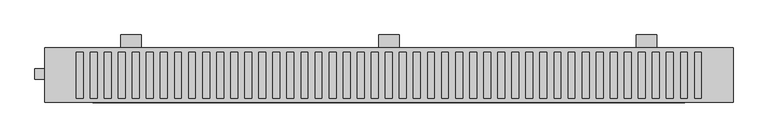
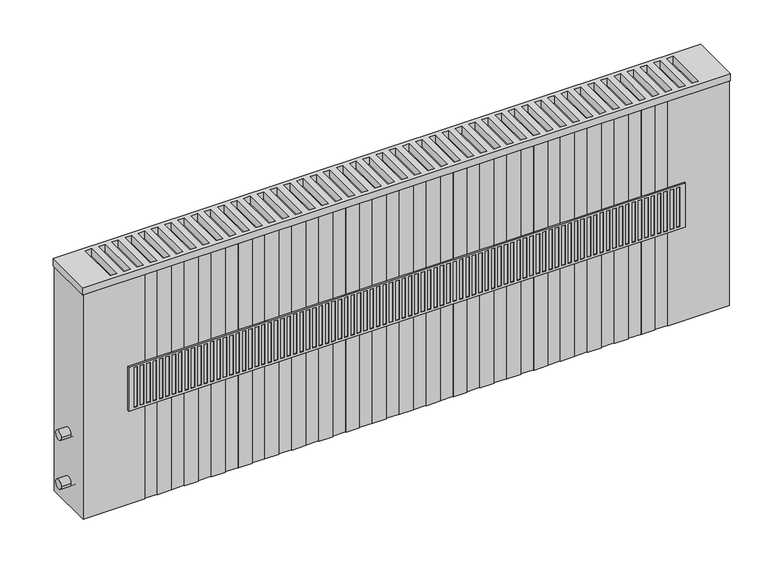
"""IFC4 building model written with IfcOpenShell, lengths in millimetres: proxy geometry."""

from ifc_helpers import new_model, si_unit, point, frame, frame_2d, origin, place, context, project, spatial, polyline, circle_curve, trimmed, segment, composite_curve, outline, extrude, faceted_brep, source, transform, mapped, element, save


def mechanical_equipment_e5fbaa37(model_context):
    return source(origin(), model_context, "Body", "SolidModel", [
        extrude(outline(polyline([(0.0, 380.0), (0.0, 100.0), (0.0, 80.0), (-35.0, 80.0), (-50.0, 100.0), (-20.0, 100.0), (-20.0, 380.0), (0.0, 380.0)])), frame((485.0, 0.0, 0.0), z_axis=(1.0, 0.0, 0.0), x_axis=(0.0, 1.0, 0.0)), (0.0, 0.0, 1.0), 30.0),
        extrude(outline(polyline([(0.0, 380.0), (0.0, 100.0), (0.0, 80.0), (-35.0, 80.0), (-50.0, 100.0), (-20.0, 100.0), (-20.0, 380.0), (0.0, 380.0)])), frame((860.0, 0.0, 0.0), z_axis=(1.0, 0.0, 0.0), x_axis=(0.0, 1.0, 0.0)), (0.0, 0.0, 1.0), 30.0),
        extrude(outline(polyline([(0.0, 380.0), (0.0, 100.0), (0.0, 80.0), (-35.0, 80.0), (-50.0, 100.0), (-20.0, 100.0), (-20.0, 380.0), (0.0, 380.0)])), frame((110.0, 0.0, 0.0), z_axis=(1.0, 0.0, 0.0), x_axis=(0.0, 1.0, 0.0)), (0.0, 0.0, 1.0), 30.0),
        faceted_brep([(931.0, -99.0, 326.0), (931.0, -99.0, 254.0), (931.0, -97.0, 254.0), (931.0, -97.0, 326.0), (69.0, -99.0, 254.0), (69.0, -99.0, 326.0), (69.0, -97.0, 326.0), (69.0, -97.0, 254.0), (922.5, -99.0, 257.5), (917.5, -99.0, 257.5), (917.5, -99.0, 322.5), (922.5, -99.0, 322.5), (92.3823529, -99.0, 257.5), (87.3823529, -99.0, 257.5), (87.3823529, -99.0, 322.5), (92.3823529, -99.0, 322.5), (102.2647059, -99.0, 257.5), (97.2647059, -99.0, 257.5), (97.2647059, -99.0, 322.5), (102.2647059, -99.0, 322.5), (112.1470588, -99.0, 257.5), (107.1470588, -99.0, 257.5), (107.1470588, -99.0, 322.5), (112.1470588, -99.0, 322.5), (122.0294118, -99.0, 257.5), (117.0294118, -99.0, 257.5), (117.0294118, -99.0, 322.5), (122.0294118, -99.0, 322.5), (131.9117647, -99.0, 257.5), (126.9117647, -99.0, 257.5), (126.9117647, -99.0, 322.5), (131.9117647, -99.0, 322.5), (141.7941176, -99.0, 257.5), (136.7941176, -99.0, 257.5), (136.7941176, -99.0, 322.5), (141.7941176, -99.0, 322.5), (151.6764706, -99.0, 257.5), (146.6764706, -99.0, 257.5), (146.6764706, -99.0, 322.5), (151.6764706, -99.0, 322.5), (161.5588235, -99.0, 257.5), (156.5588235, -99.0, 257.5), (156.5588235, -99.0, 322.5), (161.5588235, -99.0, 322.5), (171.4411765, -99.0, 257.5), (166.4411765, -99.0, 257.5), (166.4411765, -99.0, 322.5), (171.4411765, -99.0, 322.5), (181.3235294, -99.0, 257.5), (176.3235294, -99.0, 257.5), (176.3235294, -99.0, 322.5), (181.3235294, -99.0, 322.5), (191.2058824, -99.0, 257.5), (186.2058824, -99.0, 257.5), (186.2058824, -99.0, 322.5), (191.2058824, -99.0, 322.5), (201.0882353, -99.0, 257.5), (196.0882353, -99.0, 257.5), (196.0882353, -99.0, 322.5), (201.0882353, -99.0, 322.5), (210.9705882, -99.0, 257.5), (205.9705882, -99.0, 257.5), (205.9705882, -99.0, 322.5), (210.9705882, -99.0, 322.5), (220.8529412, -99.0, 257.5), (215.8529412, -99.0, 257.5), (215.8529412, -99.0, 322.5), (220.8529412, -99.0, 322.5), (230.7352941, -99.0, 257.5), (225.7352941, -99.0, 257.5), (225.7352941, -99.0, 322.5), (230.7352941, -99.0, 322.5), (240.6176471, -99.0, 257.5), (235.6176471, -99.0, 257.5), (235.6176471, -99.0, 322.5), (240.6176471, -99.0, 322.5), (250.5, -99.0, 257.5), (245.5, -99.0, 257.5), (245.5, -99.0, 322.5), (250.5, -99.0, 322.5), (260.3823529, -99.0, 257.5), (255.3823529, -99.0, 257.5), (255.3823529, -99.0, 322.5), (260.3823529, -99.0, 322.5), (270.2647059, -99.0, 257.5), (265.2647059, -99.0, 257.5), (265.2647059, -99.0, 322.5), (270.2647059, -99.0, 322.5), (280.1470588, -99.0, 257.5), (275.1470588, -99.0, 257.5), (275.1470588, -99.0, 322.5), (280.1470588, -99.0, 322.5), (290.0294118, -99.0, 257.5), (285.0294118, -99.0, 257.5), (285.0294118, -99.0, 322.5), (290.0294118, -99.0, 322.5), (299.9117647, -99.0, 257.5), (294.9117647, -99.0, 257.5), (294.9117647, -99.0, 322.5), (299.9117647, -99.0, 322.5), (309.7941176, -99.0, 257.5), (304.7941176, -99.0, 257.5), (304.7941176, -99.0, 322.5), (309.7941176, -99.0, 322.5), (319.6764706, -99.0, 257.5), (314.6764706, -99.0, 257.5), (314.6764706, -99.0, 322.5), (319.6764706, -99.0, 322.5), (329.5588235, -99.0, 257.5), (324.5588235, -99.0, 257.5), (324.5588235, -99.0, 322.5), (329.5588235, -99.0, 322.5), (339.4411765, -99.0, 257.5), (334.4411765, -99.0, 257.5), (334.4411765, -99.0, 322.5), (339.4411765, -99.0, 322.5), (349.3235294, -99.0, 257.5), (344.3235294, -99.0, 257.5), (344.3235294, -99.0, 322.5), (349.3235294, -99.0, 322.5), (359.2058824, -99.0, 257.5), (354.2058824, -99.0, 257.5), (354.2058824, -99.0, 322.5), (359.2058824, -99.0, 322.5), (369.0882353, -99.0, 257.5), (364.0882353, -99.0, 257.5), (364.0882353, -99.0, 322.5), (369.0882353, -99.0, 322.5), (378.9705882, -99.0, 257.5), (373.9705882, -99.0, 257.5), (373.9705882, -99.0, 322.5), (378.9705882, -99.0, 322.5), (388.8529412, -99.0, 257.5), (383.8529412, -99.0, 257.5), (383.8529412, -99.0, 322.5), (388.8529412, -99.0, 322.5), (398.7352941, -99.0, 257.5), (393.7352941, -99.0, 257.5), (393.7352941, -99.0, 322.5), (398.7352941, -99.0, 322.5), (408.6176471, -99.0, 257.5), (403.6176471, -99.0, 257.5), (403.6176471, -99.0, 322.5), (408.6176471, -99.0, 322.5), (418.5, -99.0, 257.5), (413.5, -99.0, 257.5), (413.5, -99.0, 322.5), (418.5, -99.0, 322.5), (428.3823529, -99.0, 257.5), (423.3823529, -99.0, 257.5), (423.3823529, -99.0, 322.5), (428.3823529, -99.0, 322.5), (438.2647059, -99.0, 257.5), (433.2647059, -99.0, 257.5), (433.2647059, -99.0, 322.5), (438.2647059, -99.0, 322.5), (448.1470588, -99.0, 257.5), (443.1470588, -99.0, 257.5), (443.1470588, -99.0, 322.5), (448.1470588, -99.0, 322.5), (458.0294118, -99.0, 257.5), (453.0294118, -99.0, 257.5), (453.0294118, -99.0, 322.5), (458.0294118, -99.0, 322.5), (467.9117647, -99.0, 257.5), (462.9117647, -99.0, 257.5), (462.9117647, -99.0, 322.5), (467.9117647, -99.0, 322.5), (477.7941176, -99.0, 257.5), (472.7941176, -99.0, 257.5), (472.7941176, -99.0, 322.5), (477.7941176, -99.0, 322.5), (487.6764706, -99.0, 257.5), (482.6764706, -99.0, 257.5), (482.6764706, -99.0, 322.5), (487.6764706, -99.0, 322.5), (497.5588235, -99.0, 257.5), (492.5588235, -99.0, 257.5), (492.5588235, -99.0, 322.5), (497.5588235, -99.0, 322.5), (507.4411765, -99.0, 257.5), (502.4411765, -99.0, 257.5), (502.4411765, -99.0, 322.5), (507.4411765, -99.0, 322.5), (517.3235294, -99.0, 257.5), (512.3235294, -99.0, 257.5), (512.3235294, -99.0, 322.5), (517.3235294, -99.0, 322.5), (527.2058824, -99.0, 257.5), (522.2058824, -99.0, 257.5), (522.2058824, -99.0, 322.5), (527.2058824, -99.0, 322.5), (537.0882353, -99.0, 257.5), (532.0882353, -99.0, 257.5), (532.0882353, -99.0, 322.5), (537.0882353, -99.0, 322.5), (546.9705882, -99.0, 257.5), (541.9705882, -99.0, 257.5), (541.9705882, -99.0, 322.5), (546.9705882, -99.0, 322.5), (556.8529412, -99.0, 257.5), (551.8529412, -99.0, 257.5), (551.8529412, -99.0, 322.5), (556.8529412, -99.0, 322.5), (566.7352941, -99.0, 257.5), (561.7352941, -99.0, 257.5), (561.7352941, -99.0, 322.5), (566.7352941, -99.0, 322.5), (576.6176471, -99.0, 257.5), (571.6176471, -99.0, 257.5), (571.6176471, -99.0, 322.5), (576.6176471, -99.0, 322.5), (586.5, -99.0, 257.5), (581.5, -99.0, 257.5), (581.5, -99.0, 322.5), (586.5, -99.0, 322.5), (596.3823529, -99.0, 257.5), (591.3823529, -99.0, 257.5), (591.3823529, -99.0, 322.5), (596.3823529, -99.0, 322.5), (606.2647059, -99.0, 257.5), (601.2647059, -99.0, 257.5), (601.2647059, -99.0, 322.5), (606.2647059, -99.0, 322.5), (616.1470588, -99.0, 257.5), (611.1470588, -99.0, 257.5), (611.1470588, -99.0, 322.5), (616.1470588, -99.0, 322.5), (626.0294118, -99.0, 257.5), (621.0294118, -99.0, 257.5), (621.0294118, -99.0, 322.5), (626.0294118, -99.0, 322.5), (635.9117647, -99.0, 257.5), (630.9117647, -99.0, 257.5), (630.9117647, -99.0, 322.5), (635.9117647, -99.0, 322.5), (645.7941176, -99.0, 257.5), (640.7941176, -99.0, 257.5), (640.7941176, -99.0, 322.5), (645.7941176, -99.0, 322.5), (655.6764706, -99.0, 257.5), (650.6764706, -99.0, 257.5), (650.6764706, -99.0, 322.5), (655.6764706, -99.0, 322.5), (665.5588235, -99.0, 257.5), (660.5588235, -99.0, 257.5), (660.5588235, -99.0, 322.5), (665.5588235, -99.0, 322.5), (675.4411765, -99.0, 257.5), (670.4411765, -99.0, 257.5), (670.4411765, -99.0, 322.5), (675.4411765, -99.0, 322.5), (685.3235294, -99.0, 257.5), (680.3235294, -99.0, 257.5), (680.3235294, -99.0, 322.5), (685.3235294, -99.0, 322.5), (695.2058824, -99.0, 257.5), (690.2058824, -99.0, 257.5), (690.2058824, -99.0, 322.5), (695.2058824, -99.0, 322.5), (705.0882353, -99.0, 257.5), (700.0882353, -99.0, 257.5), (700.0882353, -99.0, 322.5), (705.0882353, -99.0, 322.5), (714.9705882, -99.0, 257.5), (709.9705882, -99.0, 257.5), (709.9705882, -99.0, 322.5), (714.9705882, -99.0, 322.5), (724.8529412, -99.0, 257.5), (719.8529412, -99.0, 257.5), (719.8529412, -99.0, 322.5), (724.8529412, -99.0, 322.5), (734.7352941, -99.0, 257.5), (729.7352941, -99.0, 257.5), (729.7352941, -99.0, 322.5), (734.7352941, -99.0, 322.5), (744.6176471, -99.0, 257.5), (739.6176471, -99.0, 257.5), (739.6176471, -99.0, 322.5), (744.6176471, -99.0, 322.5), (754.5, -99.0, 257.5), (749.5, -99.0, 257.5), (749.5, -99.0, 322.5), (754.5, -99.0, 322.5), (764.3823529, -99.0, 257.5), (759.3823529, -99.0, 257.5), (759.3823529, -99.0, 322.5), (764.3823529, -99.0, 322.5), (774.2647059, -99.0, 257.5), (769.2647059, -99.0, 257.5), (769.2647059, -99.0, 322.5), (774.2647059, -99.0, 322.5), (784.1470588, -99.0, 257.5), (779.1470588, -99.0, 257.5), (779.1470588, -99.0, 322.5), (784.1470588, -99.0, 322.5), (794.0294118, -99.0, 257.5), (789.0294118, -99.0, 257.5), (789.0294118, -99.0, 322.5), (794.0294118, -99.0, 322.5), (803.9117647, -99.0, 257.5), (798.9117647, -99.0, 257.5), (798.9117647, -99.0, 322.5), (803.9117647, -99.0, 322.5), (813.7941176, -99.0, 257.5), (808.7941176, -99.0, 257.5), (808.7941176, -99.0, 322.5), (813.7941176, -99.0, 322.5), (823.6764706, -99.0, 257.5), (818.6764706, -99.0, 257.5), (818.6764706, -99.0, 322.5), (823.6764706, -99.0, 322.5), (833.5588235, -99.0, 257.5), (828.5588235, -99.0, 257.5), (828.5588235, -99.0, 322.5), (833.5588235, -99.0, 322.5), (843.4411765, -99.0, 257.5), (838.4411765, -99.0, 257.5), (838.4411765, -99.0, 322.5), (843.4411765, -99.0, 322.5), (853.3235294, -99.0, 257.5), (848.3235294, -99.0, 257.5), (848.3235294, -99.0, 322.5), (853.3235294, -99.0, 322.5), (863.2058824, -99.0, 257.5), (858.2058824, -99.0, 257.5), (858.2058824, -99.0, 322.5), (863.2058824, -99.0, 322.5), (873.0882353, -99.0, 257.5), (868.0882353, -99.0, 257.5), (868.0882353, -99.0, 322.5), (873.0882353, -99.0, 322.5), (882.9705882, -99.0, 257.5), (877.9705882, -99.0, 257.5), (877.9705882, -99.0, 322.5), (882.9705882, -99.0, 322.5), (892.8529412, -99.0, 257.5), (887.8529412, -99.0, 257.5), (887.8529412, -99.0, 322.5), (892.8529412, -99.0, 322.5), (902.7352941, -99.0, 257.5), (897.7352941, -99.0, 257.5), (897.7352941, -99.0, 322.5), (902.7352941, -99.0, 322.5), (912.6176471, -99.0, 257.5), (907.6176471, -99.0, 257.5), (907.6176471, -99.0, 322.5), (912.6176471, -99.0, 322.5), (82.5, -99.0, 257.5), (77.5, -99.0, 257.5), (77.5, -99.0, 322.5), (82.5, -99.0, 322.5), (917.5, -98.0, 257.5), (922.5, -98.0, 257.5), (922.5, -98.0, 322.5), (917.5, -98.0, 322.5), (87.3823529, -98.0, 257.5), (92.3823529, -98.0, 257.5), (92.3823529, -98.0, 322.5), (87.3823529, -98.0, 322.5), (97.2647059, -98.0, 257.5), (102.2647059, -98.0, 257.5), (102.2647059, -98.0, 322.5), (97.2647059, -98.0, 322.5), (107.1470588, -98.0, 257.5), (112.1470588, -98.0, 257.5), (112.1470588, -98.0, 322.5), (107.1470588, -98.0, 322.5), (117.0294118, -98.0, 257.5), (122.0294118, -98.0, 257.5), (122.0294118, -98.0, 322.5), (117.0294118, -98.0, 322.5), (126.9117647, -98.0, 257.5), (131.9117647, -98.0, 257.5), (131.9117647, -98.0, 322.5), (126.9117647, -98.0, 322.5), (136.7941176, -98.0, 257.5), (141.7941176, -98.0, 257.5), (141.7941176, -98.0, 322.5), (136.7941176, -98.0, 322.5), (146.6764706, -98.0, 257.5), (151.6764706, -98.0, 257.5), (151.6764706, -98.0, 322.5), (146.6764706, -98.0, 322.5), (156.5588235, -98.0, 257.5), (161.5588235, -98.0, 257.5), (161.5588235, -98.0, 322.5), (156.5588235, -98.0, 322.5), (166.4411765, -98.0, 257.5), (171.4411765, -98.0, 257.5), (171.4411765, -98.0, 322.5), (166.4411765, -98.0, 322.5), (176.3235294, -98.0, 257.5), (181.3235294, -98.0, 257.5), (181.3235294, -98.0, 322.5), (176.3235294, -98.0, 322.5), (186.2058824, -98.0, 257.5), (191.2058824, -98.0, 257.5), (191.2058824, -98.0, 322.5), (186.2058824, -98.0, 322.5), (196.0882353, -98.0, 257.5), (201.0882353, -98.0, 257.5), (201.0882353, -98.0, 322.5), (196.0882353, -98.0, 322.5), (205.9705882, -98.0, 257.5), (210.9705882, -98.0, 257.5), (210.9705882, -98.0, 322.5), (205.9705882, -98.0, 322.5), (215.8529412, -98.0, 257.5), (220.8529412, -98.0, 257.5), (220.8529412, -98.0, 322.5), (215.8529412, -98.0, 322.5), (225.7352941, -98.0, 257.5), (230.7352941, -98.0, 257.5), (230.7352941, -98.0, 322.5), (225.7352941, -98.0, 322.5), (235.6176471, -98.0, 257.5), (240.6176471, -98.0, 257.5), (240.6176471, -98.0, 322.5), (235.6176471, -98.0, 322.5), (245.5, -98.0, 257.5), (250.5, -98.0, 257.5), (250.5, -98.0, 322.5), (245.5, -98.0, 322.5), (255.3823529, -98.0, 257.5), (260.3823529, -98.0, 257.5), (260.3823529, -98.0, 322.5), (255.3823529, -98.0, 322.5), (265.2647059, -98.0, 257.5), (270.2647059, -98.0, 257.5), (270.2647059, -98.0, 322.5), (265.2647059, -98.0, 322.5), (275.1470588, -98.0, 257.5), (280.1470588, -98.0, 257.5), (280.1470588, -98.0, 322.5), (275.1470588, -98.0, 322.5), (285.0294118, -98.0, 257.5), (290.0294118, -98.0, 257.5), (290.0294118, -98.0, 322.5), (285.0294118, -98.0, 322.5), (294.9117647, -98.0, 257.5), (299.9117647, -98.0, 257.5), (299.9117647, -98.0, 322.5), (294.9117647, -98.0, 322.5), (304.7941176, -98.0, 257.5), (309.7941176, -98.0, 257.5), (309.7941176, -98.0, 322.5), (304.7941176, -98.0, 322.5), (314.6764706, -98.0, 257.5), (319.6764706, -98.0, 257.5), (319.6764706, -98.0, 322.5), (314.6764706, -98.0, 322.5), (324.5588235, -98.0, 257.5), (329.5588235, -98.0, 257.5), (329.5588235, -98.0, 322.5), (324.5588235, -98.0, 322.5), (334.4411765, -98.0, 257.5), (339.4411765, -98.0, 257.5), (339.4411765, -98.0, 322.5), (334.4411765, -98.0, 322.5), (344.3235294, -98.0, 257.5), (349.3235294, -98.0, 257.5), (349.3235294, -98.0, 322.5), (344.3235294, -98.0, 322.5), (354.2058824, -98.0, 257.5), (359.2058824, -98.0, 257.5), (359.2058824, -98.0, 322.5), (354.2058824, -98.0, 322.5), (364.0882353, -98.0, 257.5), (369.0882353, -98.0, 257.5), (369.0882353, -98.0, 322.5), (364.0882353, -98.0, 322.5), (373.9705882, -98.0, 257.5), (378.9705882, -98.0, 257.5), (378.9705882, -98.0, 322.5), (373.9705882, -98.0, 322.5), (383.8529412, -98.0, 257.5), (388.8529412, -98.0, 257.5), (388.8529412, -98.0, 322.5), (383.8529412, -98.0, 322.5), (393.7352941, -98.0, 257.5), (398.7352941, -98.0, 257.5), (398.7352941, -98.0, 322.5), (393.7352941, -98.0, 322.5), (403.6176471, -98.0, 257.5), (408.6176471, -98.0, 257.5), (408.6176471, -98.0, 322.5), (403.6176471, -98.0, 322.5), (413.5, -98.0, 257.5), (418.5, -98.0, 257.5), (418.5, -98.0, 322.5), (413.5, -98.0, 322.5), (423.3823529, -98.0, 257.5), (428.3823529, -98.0, 257.5), (428.3823529, -98.0, 322.5), (423.3823529, -98.0, 322.5), (433.2647059, -98.0, 257.5), (438.2647059, -98.0, 257.5), (438.2647059, -98.0, 322.5), (433.2647059, -98.0, 322.5), (443.1470588, -98.0, 257.5), (448.1470588, -98.0, 257.5), (448.1470588, -98.0, 322.5), (443.1470588, -98.0, 322.5), (453.0294118, -98.0, 257.5), (458.0294118, -98.0, 257.5), (458.0294118, -98.0, 322.5), (453.0294118, -98.0, 322.5), (462.9117647, -98.0, 257.5), (467.9117647, -98.0, 257.5), (467.9117647, -98.0, 322.5), (462.9117647, -98.0, 322.5), (472.7941176, -98.0, 257.5), (477.7941176, -98.0, 257.5), (477.7941176, -98.0, 322.5), (472.7941176, -98.0, 322.5), (482.6764706, -98.0, 257.5), (487.6764706, -98.0, 257.5), (487.6764706, -98.0, 322.5), (482.6764706, -98.0, 322.5), (492.5588235, -98.0, 257.5), (497.5588235, -98.0, 257.5), (497.5588235, -98.0, 322.5), (492.5588235, -98.0, 322.5), (502.4411765, -98.0, 257.5), (507.4411765, -98.0, 257.5), (507.4411765, -98.0, 322.5), (502.4411765, -98.0, 322.5), (512.3235294, -98.0, 257.5), (517.3235294, -98.0, 257.5), (517.3235294, -98.0, 322.5), (512.3235294, -98.0, 322.5), (522.2058824, -98.0, 257.5), (527.2058824, -98.0, 257.5), (527.2058824, -98.0, 322.5), (522.2058824, -98.0, 322.5), (532.0882353, -98.0, 257.5), (537.0882353, -98.0, 257.5), (537.0882353, -98.0, 322.5), (532.0882353, -98.0, 322.5), (541.9705882, -98.0, 257.5), (546.9705882, -98.0, 257.5), (546.9705882, -98.0, 322.5), (541.9705882, -98.0, 322.5), (551.8529412, -98.0, 257.5), (556.8529412, -98.0, 257.5), (556.8529412, -98.0, 322.5), (551.8529412, -98.0, 322.5), (561.7352941, -98.0, 257.5), (566.7352941, -98.0, 257.5), (566.7352941, -98.0, 322.5), (561.7352941, -98.0, 322.5), (571.6176471, -98.0, 257.5), (576.6176471, -98.0, 257.5), (576.6176471, -98.0, 322.5), (571.6176471, -98.0, 322.5), (581.5, -98.0, 257.5), (586.5, -98.0, 257.5), (586.5, -98.0, 322.5), (581.5, -98.0, 322.5), (591.3823529, -98.0, 257.5), (596.3823529, -98.0, 257.5), (596.3823529, -98.0, 322.5), (591.3823529, -98.0, 322.5), (601.2647059, -98.0, 257.5), (606.2647059, -98.0, 257.5), (606.2647059, -98.0, 322.5), (601.2647059, -98.0, 322.5), (611.1470588, -98.0, 257.5), (616.1470588, -98.0, 257.5), (616.1470588, -98.0, 322.5), (611.1470588, -98.0, 322.5), (621.0294118, -98.0, 257.5), (626.0294118, -98.0, 257.5), (626.0294118, -98.0, 322.5), (621.0294118, -98.0, 322.5), (630.9117647, -98.0, 257.5), (635.9117647, -98.0, 257.5), (635.9117647, -98.0, 322.5), (630.9117647, -98.0, 322.5), (640.7941176, -98.0, 257.5), (645.7941176, -98.0, 257.5), (645.7941176, -98.0, 322.5), (640.7941176, -98.0, 322.5), (650.6764706, -98.0, 257.5), (655.6764706, -98.0, 257.5), (655.6764706, -98.0, 322.5), (650.6764706, -98.0, 322.5), (660.5588235, -98.0, 257.5), (665.5588235, -98.0, 257.5), (665.5588235, -98.0, 322.5), (660.5588235, -98.0, 322.5), (670.4411765, -98.0, 257.5), (675.4411765, -98.0, 257.5), (675.4411765, -98.0, 322.5), (670.4411765, -98.0, 322.5), (680.3235294, -98.0, 257.5), (685.3235294, -98.0, 257.5), (685.3235294, -98.0, 322.5), (680.3235294, -98.0, 322.5), (690.2058824, -98.0, 257.5), (695.2058824, -98.0, 257.5), (695.2058824, -98.0, 322.5), (690.2058824, -98.0, 322.5), (700.0882353, -98.0, 257.5), (705.0882353, -98.0, 257.5), (705.0882353, -98.0, 322.5), (700.0882353, -98.0, 322.5), (709.9705882, -98.0, 257.5), (714.9705882, -98.0, 257.5), (714.9705882, -98.0, 322.5), (709.9705882, -98.0, 322.5), (719.8529412, -98.0, 257.5), (724.8529412, -98.0, 257.5), (724.8529412, -98.0, 322.5), (719.8529412, -98.0, 322.5), (729.7352941, -98.0, 257.5), (734.7352941, -98.0, 257.5), (734.7352941, -98.0, 322.5), (729.7352941, -98.0, 322.5), (739.6176471, -98.0, 257.5), (744.6176471, -98.0, 257.5), (744.6176471, -98.0, 322.5), (739.6176471, -98.0, 322.5), (749.5, -98.0, 257.5), (754.5, -98.0, 257.5), (754.5, -98.0, 322.5), (749.5, -98.0, 322.5), (759.3823529, -98.0, 257.5), (764.3823529, -98.0, 257.5), (764.3823529, -98.0, 322.5), (759.3823529, -98.0, 322.5), (769.2647059, -98.0, 257.5), (774.2647059, -98.0, 257.5), (774.2647059, -98.0, 322.5), (769.2647059, -98.0, 322.5), (779.1470588, -98.0, 257.5), (784.1470588, -98.0, 257.5), (784.1470588, -98.0, 322.5), (779.1470588, -98.0, 322.5), (789.0294118, -98.0, 257.5), (794.0294118, -98.0, 257.5), (794.0294118, -98.0, 322.5), (789.0294118, -98.0, 322.5), (798.9117647, -98.0, 257.5), (803.9117647, -98.0, 257.5), (803.9117647, -98.0, 322.5), (798.9117647, -98.0, 322.5), (808.7941176, -98.0, 257.5), (813.7941176, -98.0, 257.5), (813.7941176, -98.0, 322.5), (808.7941176, -98.0, 322.5), (818.6764706, -98.0, 257.5), (823.6764706, -98.0, 257.5), (823.6764706, -98.0, 322.5), (818.6764706, -98.0, 322.5), (828.5588235, -98.0, 257.5), (833.5588235, -98.0, 257.5), (833.5588235, -98.0, 322.5), (828.5588235, -98.0, 322.5), (838.4411765, -98.0, 257.5), (843.4411765, -98.0, 257.5), (843.4411765, -98.0, 322.5), (838.4411765, -98.0, 322.5), (848.3235294, -98.0, 257.5), (853.3235294, -98.0, 257.5), (853.3235294, -98.0, 322.5), (848.3235294, -98.0, 322.5), (858.2058824, -98.0, 257.5), (863.2058824, -98.0, 257.5), (863.2058824, -98.0, 322.5), (858.2058824, -98.0, 322.5), (868.0882353, -98.0, 257.5), (873.0882353, -98.0, 257.5), (873.0882353, -98.0, 322.5), (868.0882353, -98.0, 322.5), (877.9705882, -98.0, 257.5), (882.9705882, -98.0, 257.5), (882.9705882, -98.0, 322.5), (877.9705882, -98.0, 322.5), (887.8529412, -98.0, 257.5), (892.8529412, -98.0, 257.5), (892.8529412, -98.0, 322.5), (887.8529412, -98.0, 322.5), (897.7352941, -98.0, 257.5), (902.7352941, -98.0, 257.5), (902.7352941, -98.0, 322.5), (897.7352941, -98.0, 322.5), (907.6176471, -98.0, 257.5), (912.6176471, -98.0, 257.5), (912.6176471, -98.0, 322.5), (907.6176471, -98.0, 322.5), (77.5, -98.0, 257.5), (82.5, -98.0, 257.5), (82.5, -98.0, 322.5), (77.5, -98.0, 322.5)], [[[0, 1, 2, 3]], [[4, 5, 6, 7]], [[1, 0, 5, 4], [8, 9, 10, 11], [12, 13, 14, 15], [16, 17, 18, 19], [20, 21, 22, 23], [24, 25, 26, 27], [28, 29, 30, 31], [32, 33, 34, 35], [36, 37, 38, 39], [40, 41, 42, 43], [44, 45, 46, 47], [48, 49, 50, 51], [52, 53, 54, 55], [56, 57, 58, 59], [60, 61, 62, 63], [64, 65, 66, 67], [68, 69, 70, 71], [72, 73, 74, 75], [76, 77, 78, 79], [80, 81, 82, 83], [84, 85, 86, 87], [88, 89, 90, 91], [92, 93, 94, 95], [96, 97, 98, 99], [100, 101, 102, 103], [104, 105, 106, 107], [108, 109, 110, 111], [112, 113, 114, 115], [116, 117, 118, 119], [120, 121, 122, 123], [124, 125, 126, 127], [128, 129, 130, 131], [132, 133, 134, 135], [136, 137, 138, 139], [140, 141, 142, 143], [144, 145, 146, 147], [148, 149, 150, 151], [152, 153, 154, 155], [156, 157, 158, 159], [160, 161, 162, 163], [164, 165, 166, 167], [168, 169, 170, 171], [172, 173, 174, 175], [176, 177, 178, 179], [180, 181, 182, 183], [184, 185, 186, 187], [188, 189, 190, 191], [192, 193, 194, 195], [196, 197, 198, 199], [200, 201, 202, 203], [204, 205, 206, 207], [208, 209, 210, 211], [212, 213, 214, 215], [216, 217, 218, 219], [220, 221, 222, 223], [224, 225, 226, 227], [228, 229, 230, 231], [232, 233, 234, 235], [236, 237, 238, 239], [240, 241, 242, 243], [244, 245, 246, 247], [248, 249, 250, 251], [252, 253, 254, 255], [256, 257, 258, 259], [260, 261, 262, 263], [264, 265, 266, 267], [268, 269, 270, 271], [272, 273, 274, 275], [276, 277, 278, 279], [280, 281, 282, 283], [284, 285, 286, 287], [288, 289, 290, 291], [292, 293, 294, 295], [296, 297, 298, 299], [300, 301, 302, 303], [304, 305, 306, 307], [308, 309, 310, 311], [312, 313, 314, 315], [316, 317, 318, 319], [320, 321, 322, 323], [324, 325, 326, 327], [328, 329, 330, 331], [332, 333, 334, 335], [336, 337, 338, 339], [340, 341, 342, 343], [344, 345, 346, 347], [348, 349, 350, 351]], [[3, 2, 7, 6]], [[2, 1, 4, 7]], [[0, 3, 6, 5]], [[352, 353, 354, 355]], [[353, 352, 9, 8]], [[354, 353, 8, 11]], [[355, 354, 11, 10]], [[352, 355, 10, 9]], [[356, 357, 358, 359]], [[357, 356, 13, 12]], [[358, 357, 12, 15]], [[359, 358, 15, 14]], [[356, 359, 14, 13]], [[360, 361, 362, 363]], [[361, 360, 17, 16]], [[362, 361, 16, 19]], [[363, 362, 19, 18]], [[360, 363, 18, 17]], [[364, 365, 366, 367]], [[365, 364, 21, 20]], [[366, 365, 20, 23]], [[367, 366, 23, 22]], [[364, 367, 22, 21]], [[368, 369, 370, 371]], [[369, 368, 25, 24]], [[370, 369, 24, 27]], [[371, 370, 27, 26]], [[368, 371, 26, 25]], [[372, 373, 374, 375]], [[373, 372, 29, 28]], [[374, 373, 28, 31]], [[375, 374, 31, 30]], [[372, 375, 30, 29]], [[376, 377, 378, 379]], [[377, 376, 33, 32]], [[378, 377, 32, 35]], [[379, 378, 35, 34]], [[376, 379, 34, 33]], [[380, 381, 382, 383]], [[381, 380, 37, 36]], [[382, 381, 36, 39]], [[383, 382, 39, 38]], [[380, 383, 38, 37]], [[384, 385, 386, 387]], [[385, 384, 41, 40]], [[386, 385, 40, 43]], [[387, 386, 43, 42]], [[384, 387, 42, 41]], [[388, 389, 390, 391]], [[389, 388, 45, 44]], [[390, 389, 44, 47]], [[391, 390, 47, 46]], [[388, 391, 46, 45]], [[392, 393, 394, 395]], [[393, 392, 49, 48]], [[394, 393, 48, 51]], [[395, 394, 51, 50]], [[392, 395, 50, 49]], [[396, 397, 398, 399]], [[397, 396, 53, 52]], [[398, 397, 52, 55]], [[399, 398, 55, 54]], [[396, 399, 54, 53]], [[400, 401, 402, 403]], [[401, 400, 57, 56]], [[402, 401, 56, 59]], [[403, 402, 59, 58]], [[400, 403, 58, 57]], [[404, 405, 406, 407]], [[405, 404, 61, 60]], [[406, 405, 60, 63]], [[407, 406, 63, 62]], [[404, 407, 62, 61]], [[408, 409, 410, 411]], [[409, 408, 65, 64]], [[410, 409, 64, 67]], [[411, 410, 67, 66]], [[408, 411, 66, 65]], [[412, 413, 414, 415]], [[413, 412, 69, 68]], [[414, 413, 68, 71]], [[415, 414, 71, 70]], [[412, 415, 70, 69]], [[416, 417, 418, 419]], [[417, 416, 73, 72]], [[418, 417, 72, 75]], [[419, 418, 75, 74]], [[416, 419, 74, 73]], [[420, 421, 422, 423]], [[421, 420, 77, 76]], [[422, 421, 76, 79]], [[423, 422, 79, 78]], [[420, 423, 78, 77]], [[424, 425, 426, 427]], [[425, 424, 81, 80]], [[426, 425, 80, 83]], [[427, 426, 83, 82]], [[424, 427, 82, 81]], [[428, 429, 430, 431]], [[429, 428, 85, 84]], [[430, 429, 84, 87]], [[431, 430, 87, 86]], [[428, 431, 86, 85]], [[432, 433, 434, 435]], [[433, 432, 89, 88]], [[434, 433, 88, 91]], [[435, 434, 91, 90]], [[432, 435, 90, 89]], [[436, 437, 438, 439]], [[437, 436, 93, 92]], [[438, 437, 92, 95]], [[439, 438, 95, 94]], [[436, 439, 94, 93]], [[440, 441, 442, 443]], [[441, 440, 97, 96]], [[442, 441, 96, 99]], [[443, 442, 99, 98]], [[440, 443, 98, 97]], [[444, 445, 446, 447]], [[445, 444, 101, 100]], [[446, 445, 100, 103]], [[447, 446, 103, 102]], [[444, 447, 102, 101]], [[448, 449, 450, 451]], [[449, 448, 105, 104]], [[450, 449, 104, 107]], [[451, 450, 107, 106]], [[448, 451, 106, 105]], [[452, 453, 454, 455]], [[453, 452, 109, 108]], [[454, 453, 108, 111]], [[455, 454, 111, 110]], [[452, 455, 110, 109]], [[456, 457, 458, 459]], [[457, 456, 113, 112]], [[458, 457, 112, 115]], [[459, 458, 115, 114]], [[456, 459, 114, 113]], [[460, 461, 462, 463]], [[461, 460, 117, 116]], [[462, 461, 116, 119]], [[463, 462, 119, 118]], [[460, 463, 118, 117]], [[464, 465, 466, 467]], [[465, 464, 121, 120]], [[466, 465, 120, 123]], [[467, 466, 123, 122]], [[464, 467, 122, 121]], [[468, 469, 470, 471]], [[469, 468, 125, 124]], [[470, 469, 124, 127]], [[471, 470, 127, 126]], [[468, 471, 126, 125]], [[472, 473, 474, 475]], [[473, 472, 129, 128]], [[474, 473, 128, 131]], [[475, 474, 131, 130]], [[472, 475, 130, 129]], [[476, 477, 478, 479]], [[477, 476, 133, 132]], [[478, 477, 132, 135]], [[479, 478, 135, 134]], [[476, 479, 134, 133]], [[480, 481, 482, 483]], [[481, 480, 137, 136]], [[482, 481, 136, 139]], [[483, 482, 139, 138]], [[480, 483, 138, 137]], [[484, 485, 486, 487]], [[485, 484, 141, 140]], [[486, 485, 140, 143]], [[487, 486, 143, 142]], [[484, 487, 142, 141]], [[488, 489, 490, 491]], [[489, 488, 145, 144]], [[490, 489, 144, 147]], [[491, 490, 147, 146]], [[488, 491, 146, 145]], [[492, 493, 494, 495]], [[493, 492, 149, 148]], [[494, 493, 148, 151]], [[495, 494, 151, 150]], [[492, 495, 150, 149]], [[496, 497, 498, 499]], [[497, 496, 153, 152]], [[498, 497, 152, 155]], [[499, 498, 155, 154]], [[496, 499, 154, 153]], [[500, 501, 502, 503]], [[501, 500, 157, 156]], [[502, 501, 156, 159]], [[503, 502, 159, 158]], [[500, 503, 158, 157]], [[504, 505, 506, 507]], [[505, 504, 161, 160]], [[506, 505, 160, 163]], [[507, 506, 163, 162]], [[504, 507, 162, 161]], [[508, 509, 510, 511]], [[509, 508, 165, 164]], [[510, 509, 164, 167]], [[511, 510, 167, 166]], [[508, 511, 166, 165]], [[512, 513, 514, 515]], [[513, 512, 169, 168]], [[514, 513, 168, 171]], [[515, 514, 171, 170]], [[512, 515, 170, 169]], [[516, 517, 518, 519]], [[517, 516, 173, 172]], [[518, 517, 172, 175]], [[519, 518, 175, 174]], [[516, 519, 174, 173]], [[520, 521, 522, 523]], [[521, 520, 177, 176]], [[522, 521, 176, 179]], [[523, 522, 179, 178]], [[520, 523, 178, 177]], [[524, 525, 526, 527]], [[525, 524, 181, 180]], [[526, 525, 180, 183]], [[527, 526, 183, 182]], [[524, 527, 182, 181]], [[528, 529, 530, 531]], [[529, 528, 185, 184]], [[530, 529, 184, 187]], [[531, 530, 187, 186]], [[528, 531, 186, 185]], [[532, 533, 534, 535]], [[533, 532, 189, 188]], [[534, 533, 188, 191]], [[535, 534, 191, 190]], [[532, 535, 190, 189]], [[536, 537, 538, 539]], [[537, 536, 193, 192]], [[538, 537, 192, 195]], [[539, 538, 195, 194]], [[536, 539, 194, 193]], [[540, 541, 542, 543]], [[541, 540, 197, 196]], [[542, 541, 196, 199]], [[543, 542, 199, 198]], [[540, 543, 198, 197]], [[544, 545, 546, 547]], [[545, 544, 201, 200]], [[546, 545, 200, 203]], [[547, 546, 203, 202]], [[544, 547, 202, 201]], [[548, 549, 550, 551]], [[549, 548, 205, 204]], [[550, 549, 204, 207]], [[551, 550, 207, 206]], [[548, 551, 206, 205]], [[552, 553, 554, 555]], [[553, 552, 209, 208]], [[554, 553, 208, 211]], [[555, 554, 211, 210]], [[552, 555, 210, 209]], [[556, 557, 558, 559]], [[557, 556, 213, 212]], [[558, 557, 212, 215]], [[559, 558, 215, 214]], [[556, 559, 214, 213]], [[560, 561, 562, 563]], [[561, 560, 217, 216]], [[562, 561, 216, 219]], [[563, 562, 219, 218]], [[560, 563, 218, 217]], [[564, 565, 566, 567]], [[565, 564, 221, 220]], [[566, 565, 220, 223]], [[567, 566, 223, 222]], [[564, 567, 222, 221]], [[568, 569, 570, 571]], [[569, 568, 225, 224]], [[570, 569, 224, 227]], [[571, 570, 227, 226]], [[568, 571, 226, 225]], [[572, 573, 574, 575]], [[573, 572, 229, 228]], [[574, 573, 228, 231]], [[575, 574, 231, 230]], [[572, 575, 230, 229]], [[576, 577, 578, 579]], [[577, 576, 233, 232]], [[578, 577, 232, 235]], [[579, 578, 235, 234]], [[576, 579, 234, 233]], [[580, 581, 582, 583]], [[581, 580, 237, 236]], [[582, 581, 236, 239]], [[583, 582, 239, 238]], [[580, 583, 238, 237]], [[584, 585, 586, 587]], [[585, 584, 241, 240]], [[586, 585, 240, 243]], [[587, 586, 243, 242]], [[584, 587, 242, 241]], [[588, 589, 590, 591]], [[589, 588, 245, 244]], [[590, 589, 244, 247]], [[591, 590, 247, 246]], [[588, 591, 246, 245]], [[592, 593, 594, 595]], [[593, 592, 249, 248]], [[594, 593, 248, 251]], [[595, 594, 251, 250]], [[592, 595, 250, 249]], [[596, 597, 598, 599]], [[597, 596, 253, 252]], [[598, 597, 252, 255]], [[599, 598, 255, 254]], [[596, 599, 254, 253]], [[600, 601, 602, 603]], [[601, 600, 257, 256]], [[602, 601, 256, 259]], [[603, 602, 259, 258]], [[600, 603, 258, 257]], [[604, 605, 606, 607]], [[605, 604, 261, 260]], [[606, 605, 260, 263]], [[607, 606, 263, 262]], [[604, 607, 262, 261]], [[608, 609, 610, 611]], [[609, 608, 265, 264]], [[610, 609, 264, 267]], [[611, 610, 267, 266]], [[608, 611, 266, 265]], [[612, 613, 614, 615]], [[613, 612, 269, 268]], [[614, 613, 268, 271]], [[615, 614, 271, 270]], [[612, 615, 270, 269]], [[616, 617, 618, 619]], [[617, 616, 273, 272]], [[618, 617, 272, 275]], [[619, 618, 275, 274]], [[616, 619, 274, 273]], [[620, 621, 622, 623]], [[621, 620, 277, 276]], [[622, 621, 276, 279]], [[623, 622, 279, 278]], [[620, 623, 278, 277]], [[624, 625, 626, 627]], [[625, 624, 281, 280]], [[626, 625, 280, 283]], [[627, 626, 283, 282]], [[624, 627, 282, 281]], [[628, 629, 630, 631]], [[629, 628, 285, 284]], [[630, 629, 284, 287]], [[631, 630, 287, 286]], [[628, 631, 286, 285]], [[632, 633, 634, 635]], [[633, 632, 289, 288]], [[634, 633, 288, 291]], [[635, 634, 291, 290]], [[632, 635, 290, 289]], [[636, 637, 638, 639]], [[637, 636, 293, 292]], [[638, 637, 292, 295]], [[639, 638, 295, 294]], [[636, 639, 294, 293]], [[640, 641, 642, 643]], [[641, 640, 297, 296]], [[642, 641, 296, 299]], [[643, 642, 299, 298]], [[640, 643, 298, 297]], [[644, 645, 646, 647]], [[645, 644, 301, 300]], [[646, 645, 300, 303]], [[647, 646, 303, 302]], [[644, 647, 302, 301]], [[648, 649, 650, 651]], [[649, 648, 305, 304]], [[650, 649, 304, 307]], [[651, 650, 307, 306]], [[648, 651, 306, 305]], [[652, 653, 654, 655]], [[653, 652, 309, 308]], [[654, 653, 308, 311]], [[655, 654, 311, 310]], [[652, 655, 310, 309]], [[656, 657, 658, 659]], [[657, 656, 313, 312]], [[658, 657, 312, 315]], [[659, 658, 315, 314]], [[656, 659, 314, 313]], [[660, 661, 662, 663]], [[661, 660, 317, 316]], [[662, 661, 316, 319]], [[663, 662, 319, 318]], [[660, 663, 318, 317]], [[664, 665, 666, 667]], [[665, 664, 321, 320]], [[666, 665, 320, 323]], [[667, 666, 323, 322]], [[664, 667, 322, 321]], [[668, 669, 670, 671]], [[669, 668, 325, 324]], [[670, 669, 324, 327]], [[671, 670, 327, 326]], [[668, 671, 326, 325]], [[672, 673, 674, 675]], [[673, 672, 329, 328]], [[674, 673, 328, 331]], [[675, 674, 331, 330]], [[672, 675, 330, 329]], [[676, 677, 678, 679]], [[677, 676, 333, 332]], [[678, 677, 332, 335]], [[679, 678, 335, 334]], [[676, 679, 334, 333]], [[680, 681, 682, 683]], [[681, 680, 337, 336]], [[682, 681, 336, 339]], [[683, 682, 339, 338]], [[680, 683, 338, 337]], [[684, 685, 686, 687]], [[685, 684, 341, 340]], [[686, 685, 340, 343]], [[687, 686, 343, 342]], [[684, 687, 342, 341]], [[688, 689, 690, 691]], [[689, 688, 345, 344]], [[690, 689, 344, 347]], [[691, 690, 347, 346]], [[688, 691, 346, 345]], [[692, 693, 694, 695]], [[693, 692, 349, 348]], [[694, 693, 348, 351]], [[695, 694, 351, 350]], [[692, 695, 350, 349]]]),
        extrude(outline(polyline([(1001.0, -19.0), (1001.0, -98.0), (-1.0, -98.0), (-1.0, -19.0), (1001.0, -19.0)]), holes=[polyline([(945.0, -92.0), (955.0, -92.0), (955.0, -25.0), (945.0, -25.0), (945.0, -92.0)]), polyline([(65.4545455, -92.0), (75.4545455, -92.0), (75.4545455, -25.0), (65.4545455, -25.0), (65.4545455, -92.0)]), polyline([(85.9090909, -92.0), (95.9090909, -92.0), (95.9090909, -25.0), (85.9090909, -25.0), (85.9090909, -92.0)]), polyline([(106.3636364, -92.0), (116.3636364, -92.0), (116.3636364, -25.0), (106.3636364, -25.0), (106.3636364, -92.0)]), polyline([(126.8181818, -92.0), (136.8181818, -92.0), (136.8181818, -25.0), (126.8181818, -25.0), (126.8181818, -92.0)]), polyline([(147.2727273, -92.0), (157.2727273, -92.0), (157.2727273, -25.0), (147.2727273, -25.0), (147.2727273, -92.0)]), polyline([(167.7272727, -92.0), (177.7272727, -92.0), (177.7272727, -25.0), (167.7272727, -25.0), (167.7272727, -92.0)]), polyline([(188.1818182, -92.0), (198.1818182, -92.0), (198.1818182, -25.0), (188.1818182, -25.0), (188.1818182, -92.0)]), polyline([(208.6363636, -92.0), (218.6363636, -92.0), (218.6363636, -25.0), (208.6363636, -25.0), (208.6363636, -92.0)]), polyline([(229.0909091, -92.0), (239.0909091, -92.0), (239.0909091, -25.0), (229.0909091, -25.0), (229.0909091, -92.0)]), polyline([(249.5454545, -92.0), (259.5454545, -92.0), (259.5454545, -25.0), (249.5454545, -25.0), (249.5454545, -92.0)]), polyline([(270.0, -92.0), (280.0, -92.0), (280.0, -25.0), (270.0, -25.0), (270.0, -92.0)]), polyline([(290.4545455, -92.0), (300.4545455, -92.0), (300.4545455, -25.0), (290.4545455, -25.0), (290.4545455, -92.0)]), polyline([(310.9090909, -92.0), (320.9090909, -92.0), (320.9090909, -25.0), (310.9090909, -25.0), (310.9090909, -92.0)]), polyline([(331.3636364, -92.0), (341.3636364, -92.0), (341.3636364, -25.0), (331.3636364, -25.0), (331.3636364, -92.0)]), polyline([(351.8181818, -92.0), (361.8181818, -92.0), (361.8181818, -25.0), (351.8181818, -25.0), (351.8181818, -92.0)]), polyline([(372.2727273, -92.0), (382.2727273, -92.0), (382.2727273, -25.0), (372.2727273, -25.0), (372.2727273, -92.0)]), polyline([(392.7272727, -92.0), (402.7272727, -92.0), (402.7272727, -25.0), (392.7272727, -25.0), (392.7272727, -92.0)]), polyline([(413.1818182, -92.0), (423.1818182, -92.0), (423.1818182, -25.0), (413.1818182, -25.0), (413.1818182, -92.0)]), polyline([(433.6363636, -92.0), (443.6363636, -92.0), (443.6363636, -25.0), (433.6363636, -25.0), (433.6363636, -92.0)]), polyline([(454.0909091, -92.0), (464.0909091, -92.0), (464.0909091, -25.0), (454.0909091, -25.0), (454.0909091, -92.0)]), polyline([(474.5454545, -92.0), (484.5454545, -92.0), (484.5454545, -25.0), (474.5454545, -25.0), (474.5454545, -92.0)]), polyline([(495.0, -92.0), (505.0, -92.0), (505.0, -25.0), (495.0, -25.0), (495.0, -92.0)]), polyline([(515.4545455, -92.0), (525.4545455, -92.0), (525.4545455, -25.0), (515.4545455, -25.0), (515.4545455, -92.0)]), polyline([(535.9090909, -92.0), (545.9090909, -92.0), (545.9090909, -25.0), (535.9090909, -25.0), (535.9090909, -92.0)]), polyline([(556.3636364, -92.0), (566.3636364, -92.0), (566.3636364, -25.0), (556.3636364, -25.0), (556.3636364, -92.0)]), polyline([(576.8181818, -92.0), (586.8181818, -92.0), (586.8181818, -25.0), (576.8181818, -25.0), (576.8181818, -92.0)]), polyline([(597.2727273, -92.0), (607.2727273, -92.0), (607.2727273, -25.0), (597.2727273, -25.0), (597.2727273, -92.0)]), polyline([(617.7272727, -92.0), (627.7272727, -92.0), (627.7272727, -25.0), (617.7272727, -25.0), (617.7272727, -92.0)]), polyline([(638.1818182, -92.0), (648.1818182, -92.0), (648.1818182, -25.0), (638.1818182, -25.0), (638.1818182, -92.0)]), polyline([(658.6363636, -92.0), (668.6363636, -92.0), (668.6363636, -25.0), (658.6363636, -25.0), (658.6363636, -92.0)]), polyline([(679.0909091, -92.0), (689.0909091, -92.0), (689.0909091, -25.0), (679.0909091, -25.0), (679.0909091, -92.0)]), polyline([(699.5454545, -92.0), (709.5454545, -92.0), (709.5454545, -25.0), (699.5454545, -25.0), (699.5454545, -92.0)]), polyline([(720.0, -92.0), (730.0, -92.0), (730.0, -25.0), (720.0, -25.0), (720.0, -92.0)]), polyline([(45.0, -92.0), (55.0, -92.0), (55.0, -25.0), (45.0, -25.0), (45.0, -92.0)]), polyline([(740.4545455, -92.0), (750.4545455, -92.0), (750.4545455, -25.0), (740.4545455, -25.0), (740.4545455, -92.0)]), polyline([(760.9090909, -92.0), (770.9090909, -92.0), (770.9090909, -25.0), (760.9090909, -25.0), (760.9090909, -92.0)]), polyline([(781.3636364, -92.0), (791.3636364, -92.0), (791.3636364, -25.0), (781.3636364, -25.0), (781.3636364, -92.0)]), polyline([(801.8181818, -92.0), (811.8181818, -92.0), (811.8181818, -25.0), (801.8181818, -25.0), (801.8181818, -92.0)]), polyline([(822.2727273, -92.0), (832.2727273, -92.0), (832.2727273, -25.0), (822.2727273, -25.0), (822.2727273, -92.0)]), polyline([(842.7272727, -92.0), (852.7272727, -92.0), (852.7272727, -25.0), (842.7272727, -25.0), (842.7272727, -92.0)]), polyline([(863.1818182, -92.0), (873.1818182, -92.0), (873.1818182, -25.0), (863.1818182, -25.0), (863.1818182, -92.0)]), polyline([(883.6363636, -92.0), (893.6363636, -92.0), (893.6363636, -25.0), (883.6363636, -25.0), (883.6363636, -92.0)]), polyline([(904.0909091, -92.0), (914.0909091, -92.0), (914.0909091, -25.0), (904.0909091, -25.0), (904.0909091, -92.0)]), polyline([(924.5454545, -92.0), (934.5454545, -92.0), (934.5454545, -25.0), (924.5454545, -25.0), (924.5454545, -92.0)])]), frame((0.0, 0.0, 468.0), z_axis=(0.0, 0.0, 1.0), x_axis=(1.0, 0.0, 0.0)), (0.0, 0.0, 1.0), 12.0),
        extrude(outline(composite_curve([segment(trimmed(circle_curve(frame_2d((-57.0, 138.5)), 7.5), [point((-64.5, 138.5))], [point((-49.5, 138.5))], False, "CARTESIAN"), True, "CONTINUOUS"), segment(trimmed(circle_curve(frame_2d((-57.0, 138.5)), 7.5), [point((-49.5, 138.5))], [point((-64.5, 138.5))], False, "CARTESIAN"), True, "CONTINUOUS")], self_intersect=False)), frame((-15.0, 0.0, 0.0), z_axis=(1.0, 0.0, 0.0), x_axis=(0.0, 1.0, 0.0)), (0.0, 0.0, 1.0), 105.0),
        extrude(outline(composite_curve([segment(trimmed(circle_curve(frame_2d((-57.0, 218.5)), 7.5), [point((-64.5, 218.5))], [point((-49.5, 218.5))], False, "CARTESIAN"), True, "CONTINUOUS"), segment(trimmed(circle_curve(frame_2d((-57.0, 218.5)), 7.5), [point((-49.5, 218.5))], [point((-64.5, 218.5))], False, "CARTESIAN"), True, "CONTINUOUS")], self_intersect=False)), frame((-15.0, 0.0, 0.0), z_axis=(1.0, 0.0, 0.0), x_axis=(0.0, 1.0, 0.0)), (0.0, 0.0, 1.0), 105.0),
        extrude(outline(polyline([(1000.0, -20.0), (1000.0, -97.0), (905.0, -97.0), (905.0, -96.0), (885.0, -96.0), (885.0, -97.0), (863.4210526, -97.0), (863.4210526, -96.0), (843.4210526, -96.0), (843.4210526, -97.0), (821.8421053, -97.0), (821.8421053, -96.0), (801.8421053, -96.0), (801.8421053, -97.0), (780.2631579, -97.0), (780.2631579, -96.0), (760.2631579, -96.0), (760.2631579, -97.0), (738.6842105, -97.0), (738.6842105, -96.0), (718.6842105, -96.0), (718.6842105, -97.0), (697.1052632, -97.0), (697.1052632, -96.0), (677.1052632, -96.0), (677.1052632, -97.0), (655.5263158, -97.0), (655.5263158, -96.0), (635.5263158, -96.0), (635.5263158, -97.0), (613.9473684, -97.0), (613.9473684, -96.0), (593.9473684, -96.0), (593.9473684, -97.0), (572.3684211, -97.0), (572.3684211, -96.0), (552.3684211, -96.0), (552.3684211, -97.0), (530.7894737, -97.0), (530.7894737, -96.0), (510.7894737, -96.0), (510.7894737, -97.0), (489.2105263, -97.0), (489.2105263, -96.0), (469.2105263, -96.0), (469.2105263, -97.0), (447.6315789, -97.0), (447.6315789, -96.0), (427.6315789, -96.0), (427.6315789, -97.0), (406.0526316, -97.0), (406.0526316, -96.0), (386.0526316, -96.0), (386.0526316, -97.0), (364.4736842, -97.0), (364.4736842, -96.0), (344.4736842, -96.0), (344.4736842, -97.0), (322.8947368, -97.0), (322.8947368, -96.0), (302.8947368, -96.0), (302.8947368, -97.0), (281.3157895, -97.0), (281.3157895, -96.0), (261.3157895, -96.0), (261.3157895, -97.0), (239.7368421, -97.0), (239.7368421, -96.0), (219.7368421, -96.0), (219.7368421, -97.0), (198.1578947, -97.0), (198.1578947, -96.0), (178.1578947, -96.0), (178.1578947, -97.0), (156.5789474, -97.0), (156.5789474, -96.0), (136.5789474, -96.0), (136.5789474, -97.0), (115.0, -97.0), (115.0, -96.0), (95.0, -96.0), (95.0, -97.0), (0.0, -97.0), (0.0, -20.0), (1000.0, -20.0)])), frame((0.0, 0.0, 100.0), z_axis=(0.0, 0.0, 1.0), x_axis=(1.0, 0.0, 0.0)), (0.0, 0.0, 1.0), 368.0),
    ])


if __name__ == "__main__":
    model = new_model("IFC4")
    model_context = context("Model", 3, world=origin())
    ifc_project = project(units=[si_unit("LENGTHUNIT", "METRE", prefix="MILLI")], contexts=[model_context])
    site = spatial("IfcSite", under=ifc_project)
    building = spatial("IfcBuilding", under=site)
    placement = place(None, origin())
    mechanical_equipment_shape = mechanical_equipment_e5fbaa37(model_context)
    element("IfcBuildingElementProxy", 1, Name="Mechanical Equipment", at=placement, inside=building, context=model_context, shape_type="MappedRepresentation", body=[
        mapped(mechanical_equipment_shape, transform((0.0, 0.0, 0.0), x_axis=(1.0, 0.0, 0.0), y_axis=(0.0, 1.0, 0.0), z_axis=(0.0, 0.0, 1.0))),
    ])
    save(model, "model.ifc")
